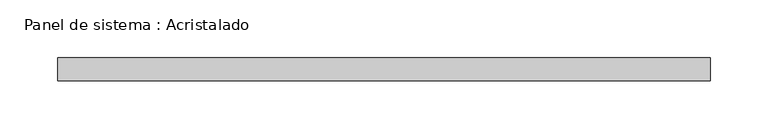
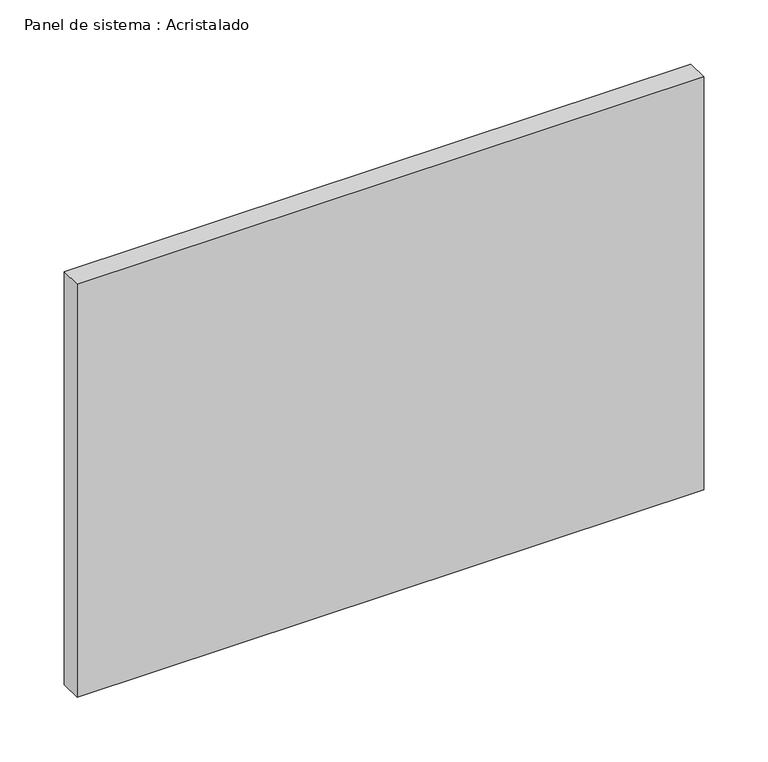
"""IFC4 building model written with IfcOpenShell, lengths in millimetres: plate geometry, Panel de sistema : Acristalado."""

from ifc_helpers import new_model, si_unit, origin, origin_with_axes, place, context, project, spatial, polyline, outline, extrude, source, transform, mapped, element, save


def panel_de_sistema_acristalado_82420ed6(model_context):
    return source(origin(), model_context, "Body", "SweptSolid", [
        extrude(outline(polyline([(282.0, -10.0), (-282.0, -10.0), (-282.0, 10.0), (282.0, 10.0), (282.0, -10.0)])), origin_with_axes(), (0.0, 0.0, 1.0), 392.7452144),
    ])


if __name__ == "__main__":
    model = new_model("IFC4")
    model_context = context("Model", 3, world=origin())
    ifc_project = project(units=[si_unit("LENGTHUNIT", "METRE", prefix="MILLI")], contexts=[model_context])
    site = spatial("IfcSite", under=ifc_project)
    building = spatial("IfcBuilding", under=site)
    placement = place(None, origin())
    panel_de_sistema_acristalado_shape = panel_de_sistema_acristalado_82420ed6(model_context)
    element("IfcPlate", 1, ObjectType="Panel de sistema : Acristalado", at=placement, inside=building, context=model_context, shape_type="MappedRepresentation", body=[
        mapped(panel_de_sistema_acristalado_shape, transform((0.0, 0.0, 0.0), x_axis=(1.0, 0.0, 0.0), y_axis=(0.0, 1.0, 0.0), z_axis=(0.0, 0.0, 1.0))),
    ])
    save(model, "model.ifc")
